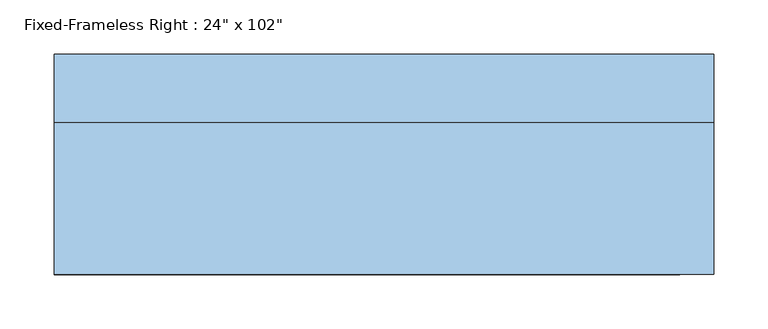
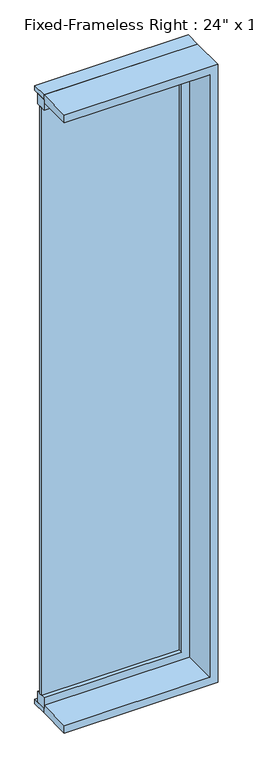
"""IFC4 building model written with IfcOpenShell, lengths in millimetres: window geometry."""

from ifc_helpers import new_model, si_unit, frame, origin, place, context, project, spatial, polyline, outline, extrude, source, transform, mapped, element, save


def window_ec3e7d3e(model_context):
    return source(origin(), model_context, "Body", "SweptSolid", [
        extrude(outline(polyline([(203.2, 53.975), (-342.9, 53.975), (-342.9, 66.675), (203.2, 66.675), (203.2, 53.975)])), frame((0.0, 0.0, 368.3), z_axis=(0.0, 0.0, 1.0), x_axis=(1.0, 0.0, 0.0)), (0.0, 0.0, 1.0), 2463.8),
        extrude(outline(polyline([(2876.55, -342.9), (2832.1, -342.9), (2832.1, 203.2), (368.3, 203.2), (368.3, -342.9), (323.85, -342.9), (323.85, 247.65), (2876.55, 247.65), (2876.55, -342.9)])), frame((0.0, 38.1, 0.0), z_axis=(0.0, 1.0, 0.0), x_axis=(0.0, 0.0, 1.0)), (0.0, 0.0, 1.0), 44.45),
        extrude(outline(polyline([(2895.6, -342.9), (2863.85, -342.9), (2863.85, 234.95), (336.55, 234.95), (336.55, -342.9), (304.8, -342.9), (304.8, 266.7), (2895.6, 266.7), (2895.6, -342.9)])), frame((0.0, -101.6, 0.0), z_axis=(0.0, 1.0, 0.0), x_axis=(0.0, 0.0, 1.0)), (0.0, 0.0, 1.0), 139.7),
        extrude(outline(polyline([(2895.6, 266.7), (2895.6, -342.9), (2876.55, -342.9), (2876.55, 247.65), (323.85, 247.65), (323.85, -342.9), (304.8, -342.9), (304.8, 266.7), (2895.6, 266.7)])), frame((0.0, 38.1, 0.0), z_axis=(0.0, 1.0, 0.0), x_axis=(0.0, 0.0, 1.0)), (0.0, 0.0, 1.0), 63.5),
    ])


if __name__ == "__main__":
    model = new_model("IFC4")
    model_context = context("Model", 3, world=origin())
    ifc_project = project(units=[si_unit("LENGTHUNIT", "METRE", prefix="MILLI")], contexts=[model_context])
    site = spatial("IfcSite", under=ifc_project)
    building = spatial("IfcBuilding", under=site)
    placement = place(None, origin())
    window_shape = window_ec3e7d3e(model_context)
    element("IfcWindow", 1, ObjectType="Fixed-Frameless Right : 24\" x 102\"", at=placement, inside=building, context=model_context, shape_type="MappedRepresentation", body=[
        mapped(window_shape, transform((0.0, 0.0, 0.0), x_axis=(1.0, 0.0, 0.0), y_axis=(0.0, 1.0, 0.0), z_axis=(0.0, 0.0, 1.0))),
    ])
    save(model, "model.ifc")
